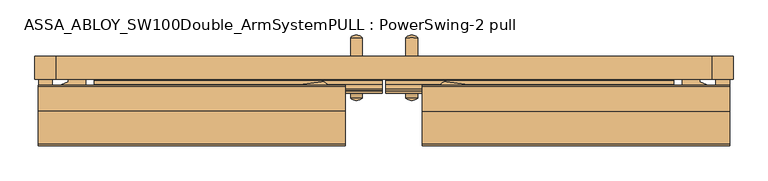
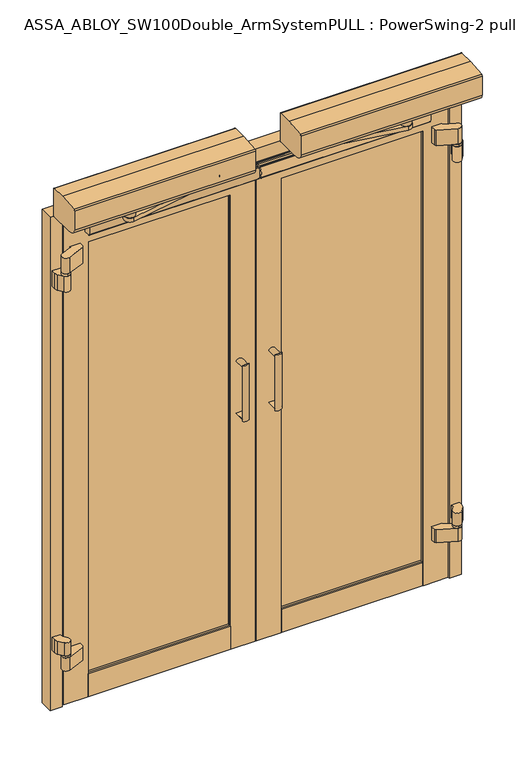
"""IFC4 building model written with IfcOpenShell, lengths in millimetres: door geometry, ASSA_ABLOY_SW100Double_ArmSystemPULL : PowerSwing-2 pull."""

from ifc_helpers import new_model, si_unit, point, frame, frame_2d, origin, origin_with_axes, place, context, project, spatial, polyline, circle_curve, ellipse_curve, trimmed, segment, composite_curve, outline, extrude, faceted_brep, source, transform, mapped, element, save
from ifc_brep_helpers import plane_surface, cylinder_surface, extruded_surface, advanced_brep


def assa_abloy_sw100double_armsystempull_powerswing_2_pull_d1627a82(model_context):
    return source(origin(), model_context, "Body", "SolidModel", [
        extrude(outline(composite_curve([segment(polyline([(1108.0, 47.2374417), (1108.0, 72.2374417)]), True, "CONTINUOUS"), segment(trimmed(circle_curve(frame_2d((1101.4280439, 59.7374417)), 14.1223442), [point((1108.0, 72.2374417))], [point((1108.0, 47.2374417))], False, "CARTESIAN"), True, "CONTINUOUS")], self_intersect=False)), frame((0.0, -37.3215431, 0.0), z_axis=(0.0, 1.0, 0.0), x_axis=(0.0, 0.0, 1.0)), (0.0, 0.0, 1.0), 40.0123882),
        extrude(outline(composite_curve([segment(trimmed(circle_curve(frame_2d((914.5719561, 59.7374417)), 14.1223442), [point((908.0, 47.2374417))], [point((908.0, 72.2374417))], False, "CARTESIAN"), True, "CONTINUOUS"), segment(polyline([(908.0, 72.2374417), (908.0, 47.2374417)]), True, "CONTINUOUS")], self_intersect=False)), frame((0.0, -37.3215431, 0.0), z_axis=(0.0, 1.0, 0.0), x_axis=(0.0, 0.0, 1.0)), (0.0, 0.0, 1.0), 40.0123882),
        extrude(outline(composite_curve([segment(polyline([(72.2374417, 2.6908451), (47.2374417, 2.6908451)]), True, "CONTINUOUS"), segment(trimmed(circle_curve(frame_2d((59.7374417, -8.8112393)), 16.9866991), [point((47.2374417, 2.6908451))], [point((72.2374417, 2.6908451))], False, "CARTESIAN"), True, "CONTINUOUS")], self_intersect=False)), frame((0.0, 0.0, 900.4496119), z_axis=(0.0, 0.0, 1.0), x_axis=(1.0, 0.0, 0.0)), (0.0, 0.0, 1.0), 215.1007763),
        extrude(outline(composite_curve([segment(trimmed(circle_curve(frame_2d((59.7374417, -115.7759853)), 16.9866991), [point((72.2374417, -127.2780697))], [point((47.2374417, -127.2780697))], False, "CARTESIAN"), True, "CONTINUOUS"), segment(polyline([(47.2374417, -127.2780697), (72.2374417, -127.2780697)]), True, "CONTINUOUS")], self_intersect=False)), frame((0.0, 0.0, 900.4496119), z_axis=(0.0, 0.0, 1.0), x_axis=(1.0, 0.0, 0.0)), (0.0, 0.0, 1.0), 215.1007763),
        extrude(outline(composite_curve([segment(polyline([(1108.0, 47.2374417), (1108.0, 72.2374417)]), True, "CONTINUOUS"), segment(trimmed(circle_curve(frame_2d((1101.4280439, 59.7374417)), 14.1223442), [point((1108.0, 72.2374417))], [point((1108.0, 47.2374417))], False, "CARTESIAN"), True, "CONTINUOUS")], self_intersect=False)), frame((0.0, -127.2780697, 0.0), z_axis=(0.0, 1.0, 0.0), x_axis=(0.0, 0.0, 1.0)), (0.0, 0.0, 1.0), 40.0123882),
        extrude(outline(composite_curve([segment(trimmed(circle_curve(frame_2d((914.5719561, 59.7374417)), 14.1223442), [point((908.0, 47.2374417))], [point((908.0, 72.2374417))], False, "CARTESIAN"), True, "CONTINUOUS"), segment(polyline([(908.0, 72.2374417), (908.0, 47.2374417)]), True, "CONTINUOUS")], self_intersect=False)), frame((0.0, -127.2780697, 0.0), z_axis=(0.0, 1.0, 0.0), x_axis=(0.0, 0.0, 1.0)), (0.0, 0.0, 1.0), 40.0123882),
        extrude(outline(composite_curve([segment(trimmed(circle_curve(frame_2d((-59.4512055, -8.8272115)), 16.9866991), [point((-71.9512055, 2.6748729))], [point((-46.9512055, 2.6748729))], False, "CARTESIAN"), True, "CONTINUOUS"), segment(polyline([(-46.9512055, 2.6748729), (-71.9512055, 2.6748729)]), True, "CONTINUOUS")], self_intersect=False)), frame((0.0, 0.0, 900.4496119), z_axis=(0.0, 0.0, 1.0), x_axis=(1.0, 0.0, 0.0)), (0.0, 0.0, 1.0), 215.1007763),
        extrude(outline(composite_curve([segment(trimmed(circle_curve(frame_2d((1101.4280439, -59.4512055)), 14.1223442), [point((1108.0, -46.9512055))], [point((1108.0, -71.9512055))], False, "CARTESIAN"), True, "CONTINUOUS"), segment(polyline([(1108.0, -71.9512055), (1108.0, -46.9512055)]), True, "CONTINUOUS")], self_intersect=False)), frame((0.0, -37.3251271, 0.0), z_axis=(0.0, 1.0, 0.0), x_axis=(0.0, 0.0, 1.0)), (0.0, 0.0, 1.0), 40.0),
        extrude(outline(composite_curve([segment(polyline([(908.0, -46.9512055), (908.0, -71.9512055)]), True, "CONTINUOUS"), segment(trimmed(circle_curve(frame_2d((914.5719561, -59.4512055)), 14.1223442), [point((908.0, -71.9512055))], [point((908.0, -46.9512055))], False, "CARTESIAN"), True, "CONTINUOUS")], self_intersect=False)), frame((0.0, -37.3251271, 0.0), z_axis=(0.0, 1.0, 0.0), x_axis=(0.0, 0.0, 1.0)), (0.0, 0.0, 1.0), 40.0),
        extrude(outline(composite_curve([segment(polyline([(-71.9512055, -127.2780697), (-46.9512055, -127.2780697)]), True, "CONTINUOUS"), segment(trimmed(circle_curve(frame_2d((-59.4512055, -115.7759853)), 16.9866991), [point((-46.9512055, -127.2780697))], [point((-71.9512055, -127.2780697))], False, "CARTESIAN"), True, "CONTINUOUS")], self_intersect=False)), frame((0.0, 0.0, 900.4496119), z_axis=(0.0, 0.0, 1.0), x_axis=(1.0, 0.0, 0.0)), (0.0, 0.0, 1.0), 215.1007763),
        extrude(outline(composite_curve([segment(trimmed(circle_curve(frame_2d((1101.4280439, -59.4512055)), 14.1223442), [point((1108.0, -46.9512055))], [point((1108.0, -71.9512055))], False, "CARTESIAN"), True, "CONTINUOUS"), segment(polyline([(1108.0, -71.9512055), (1108.0, -46.9512055)]), True, "CONTINUOUS")], self_intersect=False)), frame((0.0, -127.2780697, 0.0), z_axis=(0.0, 1.0, 0.0), x_axis=(0.0, 0.0, 1.0)), (0.0, 0.0, 1.0), 40.0123882),
        extrude(outline(composite_curve([segment(polyline([(908.0, -46.9512055), (908.0, -71.9512055)]), True, "CONTINUOUS"), segment(trimmed(circle_curve(frame_2d((914.5719561, -59.4512055)), 14.1223442), [point((908.0, -71.9512055))], [point((908.0, -46.9512055))], False, "CARTESIAN"), True, "CONTINUOUS")], self_intersect=False)), frame((0.0, -127.2780697, 0.0), z_axis=(0.0, 1.0, 0.0), x_axis=(0.0, 0.0, 1.0)), (0.0, 0.0, 1.0), 40.0123882),
        advanced_brep(
        [(-499.3106089, -183.3870479, 1869.8647729), (-130.3990696, -116.6260851, 1869.8647729), (-134.1941363, -92.5632197, 1869.8647729), (-505.7616246, -142.4666915, 1869.8647729), (-499.3106089, -183.3870479, 1854.846278), (-505.7616246, -142.4666915, 1854.846278), (-134.203443, -92.4940224, 1854.846278), (-130.4115028, -116.5573808, 1854.846278)],
        [
            (0, 1),
            (1, 2, circle_curve(frame((-132.5748233, -104.6031811, 1869.8647729), z_axis=(0.0, 0.0, 1.0), x_axis=(-0.5807029557109418, -0.8141155183563178, 0.0)), 12.1483681)),
            (2, 3),
            (3, 0, circle_curve(frame((-503.0, -163.0, 1869.8647729), z_axis=(0.0, 0.0, 1.0), x_axis=(-0.5807029557109418, -0.8141155183563178, 0.0)), 20.7181883)),
            (4, 5, circle_curve(frame((-503.0, -163.0, 1854.846278), z_axis=(0.0, 0.0, -1.0), x_axis=(-0.5807029557109418, -0.8141155183563178, 0.0)), 20.7181883)),
            (5, 6),
            (6, 7, circle_curve(frame((-132.5748233, -104.6031811, 1854.846278), z_axis=(0.0, 0.0, -1.0), x_axis=(-0.5807029557109418, -0.8141155183563178, 0.0)), 12.1483681)),
            (7, 4),
            (0, 4),
            (7, 1),
            (6, 2),
            (5, 3),
        ],
        [
            plane_surface(frame((-130.3990696, -116.6260851, 1869.8647729), z_axis=(0.0, 0.0, 1.0000000000000002), x_axis=(0.984016920394689, 0.17807498526450127, 0.0))),
            plane_surface(frame((-130.3990696, -116.6260851, 1854.846278), z_axis=(0.0, 0.0, -1.0000000000000002), x_axis=(-0.984016920394689, -0.17807498526450127, 0.0))),
            plane_surface(frame((-499.3106089, -183.3870479, 1869.8647729), z_axis=(0.17807498526450127, -0.984016920394689, 0.0), x_axis=(0.0, 0.0, -1.0))),
            cylinder_surface(frame((-132.5748233, -104.6031811, 1854.846278), z_axis=(0.0, 0.0, 1.0), x_axis=(-0.5807029557109418, -0.8141155183563178, 0.0)), 12.1483681),
            plane_surface(frame((-134.203443, -92.4940224, 1869.8647729), z_axis=(-0.1332946972429518, 0.9910764469438823, 0.0), x_axis=(0.0, 0.0, -1.0))),
            cylinder_surface(frame((-503.0, -163.0, 1854.846278), z_axis=(0.0, 0.0, 1.0), x_axis=(-0.5807029557109418, -0.8141155183563178, 0.0)), 20.7181883),
        ],
        [
            (0, [[1, 2, 3, 4]]),
            (1, [[5, 6, 7, 8]]),
            (2, [[-1, 9, -8, 10]]),
            (3, [[-2, -10, -7, 11]]),
            (4, [[-3, -11, -6, 12]]),
            (5, [[-4, -12, -5, -9]]),
        ],
    ),
        advanced_brep(
        [(82.2782505, -155.5582982, 2018.7201106), (82.2782505, -102.8589437, 2018.7201106), (82.2782505, -100.0052181, 2015.8663849), (82.2782505, -100.0052181, 1911.5806591), (82.2782505, -103.0052181, 1908.5806591), (82.2782505, -189.582289, 1908.5806591), (82.2782505, -230.1066916, 1933.4567038), (82.2782505, -230.1066916, 2006.7075993), (82.2782505, -226.4584157, 2011.5214171), (743.0, -155.5582982, 2018.7201106), (743.0, -226.4584157, 2011.5214171), (743.0, -230.1066916, 2006.7075993), (743.0, -230.1066916, 1933.4567038), (743.0, -189.582289, 1908.5806591), (743.0, -103.0052181, 1908.5806591), (743.0, -100.0052181, 1911.5806591), (743.0, -100.0052181, 2015.8663849), (743.0, -102.8589437, 2018.7201106)],
        [
            (0, 1),
            (1, 2, circle_curve(frame((82.2782505, -102.8589437, 2015.8663849), z_axis=(-1.0, 0.0, 0.0), x_axis=(0.0, 0.0, 1.0)), 2.8537257)),
            (2, 3),
            (3, 4, circle_curve(frame((82.2782505, -103.0052181, 1911.5806591), z_axis=(-1.0, 0.0, 0.0), x_axis=(0.0, 0.0, 1.0)), 3.0)),
            (4, 5),
            (5, 6, ellipse_curve(frame((82.2782505, -185.1066916, 1933.4567038), z_axis=(-1.0, 0.0, 0.0), x_axis=(0.0, 1.0, 0.0)), 45.0, 25.0)),
            (6, 7),
            (7, 8, circle_curve(frame((82.2782505, -225.1066916, 2006.7075993), z_axis=(-1.0, 0.0, 0.0), x_axis=(0.0, 0.0, 1.0)), 5.0)),
            (8, 0, circle_curve(frame((82.2782505, -154.2836437, 1653.418119), z_axis=(-1.0, 0.0, 0.0), x_axis=(0.0, 0.0, 1.0)), 365.3042154)),
            (9, 10, circle_curve(frame((743.0, -154.2836437, 1653.418119), z_axis=(1.0, 0.0, 0.0), x_axis=(0.0, 0.0, 1.0)), 365.3042154)),
            (10, 11, circle_curve(frame((743.0, -225.1066916, 2006.7075993), z_axis=(1.0, 0.0, 0.0), x_axis=(0.0, 0.0, 1.0)), 5.0)),
            (11, 12),
            (12, 13, ellipse_curve(frame((743.0, -185.1066916, 1933.4567038), z_axis=(1.0, 0.0, 0.0), x_axis=(0.0, 1.0, 0.0)), 45.0, 25.0)),
            (13, 14),
            (14, 15, circle_curve(frame((743.0, -103.0052181, 1911.5806591), z_axis=(1.0, 0.0, 0.0), x_axis=(0.0, 0.0, 1.0)), 3.0)),
            (15, 16),
            (16, 17, circle_curve(frame((743.0, -102.8589437, 2015.8663849), z_axis=(1.0, 0.0, 0.0), x_axis=(0.0, 0.0, 1.0)), 2.8537257)),
            (17, 9),
            (0, 9),
            (17, 1),
            (16, 2),
            (15, 3),
            (14, 4),
            (13, 5),
            (12, 6),
            (11, 7),
            (10, 8),
        ],
        [
            plane_surface(frame((82.2782505, -100.0, 1986.5349), z_axis=(-1.0, 0.0, 0.0), x_axis=(0.0, -1.0, 0.0))),
            plane_surface(frame((743.0, -100.0, 1986.5349), z_axis=(1.0, 0.0, 0.0), x_axis=(0.0, -1.0, 0.0))),
            plane_surface(frame((82.2782505, -155.5582982, 2018.7201106), z_axis=(0.0, 0.0, 1.0), x_axis=(1.0, 0.0, 0.0))),
            cylinder_surface(frame((82.2782505, -102.8589437, 2015.8663849), z_axis=(-1.0, 0.0, 0.0), x_axis=(0.0, 0.0, 1.0)), 2.8537257),
            plane_surface(frame((82.2782505, -100.0052181, 2015.8663849), z_axis=(0.0, 1.0, 0.0), x_axis=(1.0, 0.0, 0.0))),
            cylinder_surface(frame((82.2782505, -103.0052181, 1911.5806591), z_axis=(-1.0, 0.0, 0.0), x_axis=(0.0, 0.0, 1.0)), 3.0),
            plane_surface(frame((82.2782505, -103.0052181, 1908.5806591), z_axis=(0.0, 0.0, -1.0), x_axis=(1.0, 0.0, 0.0))),
            extruded_surface(trimmed(ellipse_curve(frame((743.0, -185.1066916, 1933.4567038), z_axis=(-1.0, 0.0, 0.0), x_axis=(0.0, 1.0, 0.0)), 45.0, 25.0), [point((743.0, -189.582289, 1908.5806591))], [point((743.0, -230.1066916, 1933.4567038))], True, "CARTESIAN"), (-660.7217495, 0.0, 0.0), 660.7217495),
            plane_surface(frame((82.2782505, -230.1066916, 1933.4567038), z_axis=(0.0, -1.0, 0.0), x_axis=(1.0, 0.0, 0.0))),
            cylinder_surface(frame((82.2782505, -225.1066916, 2006.7075993), z_axis=(-1.0, 0.0, 0.0), x_axis=(0.0, 0.0, 1.0)), 5.0),
            cylinder_surface(frame((82.2782505, -154.2836437, 1653.418119), z_axis=(-1.0, 0.0, 0.0), x_axis=(0.0, 0.0, 1.0)), 365.3042154),
        ],
        [
            (0, [[1, 2, 3, 4, 5, 6, 7, 8, 9]]),
            (1, [[10, 11, 12, 13, 14, 15, 16, 17, 18]]),
            (2, [[-1, 19, -18, 20]]),
            (3, [[-2, -20, -17, 21]]),
            (4, [[-3, -21, -16, 22]]),
            (5, [[-4, -22, -15, 23]]),
            (6, [[-5, -23, -14, 24]]),
            (7, [[-6, -24, -13, 25]]),
            (8, [[-7, -25, -12, 26]]),
            (9, [[-8, -26, -11, 27]]),
            (10, [[-9, -27, -10, -19]]),
        ],
    ),
        extrude(outline(composite_curve([segment(trimmed(circle_curve(frame_2d((132.6239186, -104.2926044)), 4.15), [point((130.2140013, -100.914025))], [point((135.0338358, -107.6711838))], False, "CARTESIAN"), True, "CONTINUOUS"), segment(trimmed(circle_curve(frame_2d((132.6239186, -104.2926044)), 4.15), [point((135.0338358, -107.6711838))], [point((130.2140013, -100.914025))], False, "CARTESIAN"), True, "CONTINUOUS")], self_intersect=False)), frame((0.0, 0.0, 1844.1836687), z_axis=(0.0, 0.0, 1.0), x_axis=(1.0, 0.0, 0.0)), (0.0, 0.0, 1.0), 6.7991849),
        extrude(outline(composite_curve([segment(trimmed(circle_curve(frame_2d((132.6239186, -104.2926044)), 8.5), [point((127.6879434, -97.3726225))], [point((137.5598937, -111.2125863))], False, "CARTESIAN"), True, "CONTINUOUS"), segment(trimmed(circle_curve(frame_2d((132.6239186, -104.2926044)), 8.5), [point((137.5598937, -111.2125863))], [point((127.6879434, -97.3726225))], False, "CARTESIAN"), True, "CONTINUOUS")], self_intersect=False)), frame((0.0, 0.0, 1850.9828536), z_axis=(0.0, 0.0, 1.0), x_axis=(1.0, 0.0, 0.0)), (0.0, 0.0, 1.0), 3.8634244),
        extrude(outline(composite_curve([segment(polyline([(134.2533264, -92.2540049), (507.4535975, -142.7661473)]), True, "CONTINUOUS"), segment(trimmed(circle_curve(frame_2d((503.0, -163.0)), 20.7181883), [point((507.4535975, -142.7661473))], [point((500.978067, -183.6192898))], False, "CARTESIAN"), True, "CONTINUOUS"), segment(polyline([(500.978067, -183.6192898), (130.4505754, -116.244986)]), True, "CONTINUOUS"), segment(trimmed(circle_curve(frame_2d((132.6239186, -104.2926044)), 12.1483681), [point((130.4505754, -116.244986))], [point((134.2533264, -92.2540049))], False, "CARTESIAN"), True, "CONTINUOUS")], self_intersect=False)), frame((0.0, 0.0, 1854.846278), z_axis=(0.0, 0.0, 1.0), x_axis=(1.0, 0.0, 0.0)), (0.0, 0.0, 1.0), 15.018495),
        extrude(outline(composite_curve([segment(trimmed(circle_curve(frame_2d((503.0, -163.0)), 11.0), [point((492.0, -163.0))], [point((514.0, -163.0))], False, "CARTESIAN"), True, "CONTINUOUS"), segment(trimmed(circle_curve(frame_2d((503.0, -163.0)), 11.0), [point((514.0, -163.0))], [point((492.0, -163.0))], False, "CARTESIAN"), True, "CONTINUOUS")], self_intersect=False)), frame((0.0, 0.0, 1894.7442968), z_axis=(0.0, 0.0, 1.0), x_axis=(1.0, 0.0, 0.0)), (0.0, 0.0, 1.0), 39.369776),
        extrude(outline(composite_curve([segment(trimmed(circle_curve(frame_2d((503.0, -163.0)), 19.105), [point((483.895, -163.0))], [point((522.105, -163.0))], False, "CARTESIAN"), True, "CONTINUOUS"), segment(trimmed(circle_curve(frame_2d((503.0, -163.0)), 19.105), [point((522.105, -163.0))], [point((483.895, -163.0))], False, "CARTESIAN"), True, "CONTINUOUS")], self_intersect=False)), frame((0.0, 0.0, 1869.8647729), z_axis=(0.0, 0.0, 1.0), x_axis=(1.0, 0.0, 0.0)), (0.0, 0.0, 1.0), 24.8795239),
        extrude(outline(composite_curve([segment(trimmed(circle_curve(frame_2d((-111.3180226, 1844.451905)), 2.0), [point((-113.2101706, 1845.0998063))], [point((-111.3180226, 1846.451905))], False, "CARTESIAN"), True, "CONTINUOUS"), segment(polyline([(-111.3180226, 1846.451905), (-108.286547, 1846.451905), (-108.286547, 1845.651905), (-97.2864545, 1845.651905), (-97.2864545, 1846.451905), (-89.1371957, 1846.451905)]), True, "CONTINUOUS"), segment(trimmed(circle_curve(frame_2d((-89.6457754, 1845.751905)), 0.8652476), [point((-89.1371957, 1846.451905))], [point((-88.7805279, 1845.751905))], False, "CARTESIAN"), True, "CONTINUOUS"), segment(trimmed(circle_curve(frame_2d((-87.9805279, 1845.751905)), 0.8), [point((-88.7805279, 1845.751905))], [point((-87.9769311, 1844.9519131))], True, "CARTESIAN"), True, "CONTINUOUS"), segment(trimmed(circle_curve(frame_2d((-87.9733986, 1844.1662286)), 0.7856925), [point((-87.9769311, 1844.9519131))], [point((-87.2656814, 1844.507475))], False, "CARTESIAN"), True, "CONTINUOUS"), segment(polyline([(-87.2656814, 1844.507475), (-87.2656814, 1803.2484215)]), True, "CONTINUOUS"), segment(trimmed(circle_curve(frame_2d((-87.7661541, 1803.434363)), 0.5338981), [point((-87.2656814, 1803.2484215))], [point((-87.9945463, 1802.9517822))], False, "CARTESIAN"), True, "CONTINUOUS"), segment(trimmed(circle_curve(frame_2d((-87.9945463, 1802.1653467)), 0.7864355), [point((-87.9945463, 1802.9517822))], [point((-88.7809818, 1802.1653467))], True, "CARTESIAN"), True, "CONTINUOUS"), segment(trimmed(circle_curve(frame_2d((-89.5054294, 1802.1653467)), 0.7244476), [point((-88.7809818, 1802.1653467))], [point((-89.6312284, 1801.451905))], False, "CARTESIAN"), True, "CONTINUOUS"), segment(polyline([(-89.6312284, 1801.451905), (-111.3180226, 1801.451905)]), True, "CONTINUOUS"), segment(trimmed(circle_curve(frame_2d((-111.3180226, 1803.451905)), 2.0), [point((-111.3180226, 1801.451905))], [point((-113.2101706, 1802.8040038))], False, "CARTESIAN"), True, "CONTINUOUS"), segment(trimmed(circle_curve(frame_2d((-51.4492779, 1823.951905)), 65.28125), [point((-113.2101706, 1802.8040038))], [point((-113.2101706, 1845.0998063))], False, "CARTESIAN"), True, "CONTINUOUS")], self_intersect=False)), frame((3.2374417, 0.0, 0.0), z_axis=(1.0, 0.0, 0.0), x_axis=(0.0, 1.0, 0.0)), (0.0, 0.0, 1.0), 619.0),
        extrude(outline(composite_curve([segment(polyline([(678.2662975, -92.1743645), (719.1041839, -109.5148323)]), True, "CONTINUOUS"), segment(trimmed(circle_curve(frame_2d((713.2394615, -123.3266203)), 15.0053476), [point((719.1041839, -109.5148323))], [point((708.1708678, -137.4499987))], False, "CARTESIAN"), True, "CONTINUOUS"), segment(polyline([(708.1708678, -137.4499987), (645.6664343, -110.9184439), (641.0646169, -103.9631237), (641.0646169, -87.3251271), (678.2662975, -87.3251271), (678.2662975, -92.1743645)]), True, "CONTINUOUS")], self_intersect=False)), frame((0.0, 0.0, 171.4813362), z_axis=(0.0, 0.0, 1.0), x_axis=(1.0, 0.0, 0.0)), (0.0, 0.0, 1.0), 50.0),
        extrude(outline(composite_curve([segment(trimmed(circle_curve(frame_2d((713.2374417, -123.3315732)), 15.0), [point((713.2374417, -138.3315732))], [point((713.2374417, -108.3315732))], False, "CARTESIAN"), True, "CONTINUOUS"), segment(trimmed(circle_curve(frame_2d((713.2374417, -123.3315732)), 15.0), [point((713.2374417, -108.3315732))], [point((713.2374417, -138.3315732))], False, "CARTESIAN"), True, "CONTINUOUS")], self_intersect=False)), frame((0.0, 0.0, 221.4813362), z_axis=(0.0, 0.0, 1.0), x_axis=(1.0, 0.0, 0.0)), (0.0, 0.0, 1.0), 8.0),
        extrude(outline(composite_curve([segment(polyline([(701.1890546, -114.3964533), (713.0391682, -98.4174002), (713.0391682, -87.3402004), (742.4391494, -87.3402004), (742.4391494, -104.1366347), (739.4607761, -113.1527638), (725.2858288, -132.2666932)]), True, "CONTINUOUS"), segment(trimmed(circle_curve(frame_2d((713.2374417, -123.3315732)), 15.0), [point((725.2858288, -132.2666932))], [point((701.1890546, -114.3964533))], False, "CARTESIAN"), True, "CONTINUOUS")], self_intersect=False)), frame((0.0, 0.0, 229.4813362), z_axis=(0.0, 0.0, 1.0), x_axis=(1.0, 0.0, 0.0)), (0.0, 0.0, 1.0), 50.0),
        extrude(outline(composite_curve([segment(polyline([(742.4391494, -104.1366347), (739.4607761, -113.1527638), (725.2858288, -132.2666932)]), True, "CONTINUOUS"), segment(trimmed(circle_curve(frame_2d((713.2374417, -123.3315732)), 15.0), [point((725.2858288, -132.2666932))], [point((701.1890546, -114.3964533))], False, "CARTESIAN"), True, "CONTINUOUS"), segment(polyline([(701.1890546, -114.3964533), (713.0391682, -98.4174002), (713.0391682, -87.3402004), (742.4391494, -87.3402004), (742.4391494, -104.1366347)]), True, "CONTINUOUS")], self_intersect=False)), frame((0.0, 0.0, 1631.3150433), z_axis=(0.0, 0.0, 1.0), x_axis=(1.0, 0.0, 0.0)), (0.0, 0.0, 1.0), 59.68332),
        extrude(outline(composite_curve([segment(trimmed(circle_curve(frame_2d((713.2374417, -123.3315732)), 15.0), [point((713.2374417, -108.3315732))], [point((713.2374417, -138.3315732))], False, "CARTESIAN"), True, "CONTINUOUS"), segment(trimmed(circle_curve(frame_2d((713.2374417, -123.3315732)), 15.0), [point((713.2374417, -138.3315732))], [point((713.2374417, -108.3315732))], False, "CARTESIAN"), True, "CONTINUOUS")], self_intersect=False)), frame((0.0, 0.0, 1690.9983633), z_axis=(0.0, 0.0, 1.0), x_axis=(1.0, 0.0, 0.0)), (0.0, 0.0, 1.0), 10.0),
        advanced_brep(
        [(678.2662975, -87.3251271, 1760.9983633), (641.0646169, -87.3251271, 1760.9983633), (641.0646169, -103.9631237, 1760.9983633), (645.6664343, -110.9184439, 1760.9983633), (708.1707617, -137.4499568, 1760.9983633), (719.0984086, -109.5240004, 1760.9983633), (678.2662975, -92.1743645, 1760.9983633), (678.2662975, -87.3251271, 1700.9983633), (678.2662975, -92.1743645, 1700.9983633), (719.1046788, -109.5092289, 1700.9983633), (708.1707617, -137.4499568, 1700.9983633), (645.6664343, -110.9184439, 1700.9983633), (641.0646169, -103.9631237, 1700.9983633), (641.0646169, -87.3251271, 1700.9983633)],
        [
            (0, 1),
            (1, 2),
            (2, 3),
            (3, 4),
            (4, 5, circle_curve(frame((713.2374417, -123.3315732, 1760.9983633), z_axis=(0.0, 0.0, 1.0), x_axis=(-1.0, 0.0, 0.0)), 15.0)),
            (5, 6),
            (6, 0),
            (7, 8),
            (8, 9),
            (9, 10, circle_curve(frame((713.2374417, -123.3315732, 1700.9983633), z_axis=(0.0, 0.0, -1.0), x_axis=(-1.0, 0.0, 0.0)), 15.0)),
            (10, 11),
            (11, 12),
            (12, 13),
            (13, 7),
            (0, 7),
            (13, 1),
            (12, 2),
            (11, 3),
            (10, 4),
            (9, 5),
            (8, 6),
        ],
        [
            plane_surface(frame((641.0646169, -87.3251271, 1760.9983633), z_axis=(0.0, 0.0, 1.0), x_axis=(-1.0, 0.0, 0.0))),
            plane_surface(frame((641.0646169, -87.3251271, 1700.9983633), z_axis=(0.0, 0.0, -1.0), x_axis=(1.0, 0.0, 0.0))),
            plane_surface(frame((678.2662975, -87.3251271, 1760.9983633), z_axis=(0.0, 1.0, 0.0), x_axis=(0.0, 0.0, -1.0))),
            plane_surface(frame((641.0646169, -87.3251271, 1760.9983633), z_axis=(-1.0, 0.0, 0.0), x_axis=(0.0, 0.0, -1.0))),
            plane_surface(frame((641.0646169, -103.9631237, 1760.9983633), z_axis=(-0.8339856219536074, -0.5517861745048118, 0.0), x_axis=(0.0, 0.0, -1.0))),
            plane_surface(frame((645.6664343, -110.9184439, 1760.9983633), z_axis=(-0.39073112848927666, -0.9205048534524392, 0.0), x_axis=(0.0, 0.0, -1.0))),
            cylinder_surface(frame((713.2374417, -123.3315732, 1700.9983633), z_axis=(0.0, 0.0, 1.0), x_axis=(-1.0, 0.0, 0.0)), 15.0),
            plane_surface(frame((719.1046788, -109.5092289, 1760.9983633), z_axis=(0.39073112848928226, 0.9205048534524367, 0.0), x_axis=(0.0, 0.0, -1.0))),
            plane_surface(frame((678.2662975, -92.1743645, 1760.9983633), z_axis=(1.0, 0.0, 0.0), x_axis=(0.0, 0.0, -1.0))),
        ],
        [
            (0, [[1, 2, 3, 4, 5, 6, 7]]),
            (1, [[8, 9, 10, 11, 12, 13, 14]]),
            (2, [[-1, 15, -14, 16]]),
            (3, [[-2, -16, -13, 17]]),
            (4, [[-3, -17, -12, 18]]),
            (5, [[-4, -18, -11, 19]]),
            (6, [[-5, -19, -10, 20]]),
            (7, [[-6, -20, -9, 21]]),
            (8, [[-7, -21, -8, -15]]),
        ],
    ),
        extrude(outline(polyline([(-37.2962729, 93.9905444), (-37.2962729, 5.0), (-87.2909516, 5.0), (-87.2909516, 93.97937), (-80.8678947, 93.97937), (-78.6843711, 98.2774115), (-78.6843711, 81.7322622), (-71.9694964, 81.7322622), (-71.9694964, 98.2768371), (-69.7860879, 93.9905444), (-37.2962729, 93.9905444)])), frame((95.9687168, 0.0, 0.0), z_axis=(1.0, 0.0, 0.0), x_axis=(0.0, 1.0, 0.0)), (0.0, 0.0, 1.0), 510.945177),
        extrude(outline(polyline([(79.2634653, -78.659101), (79.2634653, -71.9442262), (623.6191452, -71.9442262), (623.6191452, -78.659101), (79.2634653, -78.659101)])), frame((0.0, 0.0, 81.7322622), z_axis=(0.0, 0.0, 1.0), x_axis=(1.0, 0.0, 0.0)), (0.0, 0.0, 1.0), 1686.6857904),
        faceted_brep([(15.1706752, -47.2710028, 5.0), (15.1706752, -45.7710028, 5.0), (24.6706752, -45.7710028, 5.0), (24.6706752, -37.2710028, 5.0), (91.6818497, -37.2710028, 5.0), (91.6818497, -69.7608177, 5.0), (95.9681424, -71.9442262, 5.0), (79.2634653, -71.9442262, 5.0), (79.2634653, -78.659101, 5.0), (95.9687168, -78.659101, 5.0), (91.6706752, -80.8426245, 5.0), (91.6706752, -87.2656814, 5.0), (2.6913053, -87.2656814, 5.0), (2.6913053, -85.2815279, 5.0), (22.6706752, -85.2815279, 5.0), (22.6706752, -47.2710028, 5.0), (15.1706752, -47.2710028, 1832.5108426), (15.1706752, -45.7710028, 1832.5108426), (687.7119353, -45.7710028, 1832.5108426), (687.7119353, -45.7710028, 5.0), (678.2119353, -45.7710028, 5.0), (678.2119353, -45.7710028, 1823.0108426), (24.6706752, -45.7710028, 1823.0108426), (24.6706752, -37.2710028, 1823.0108426), (678.2119353, -37.2710028, 1823.0108426), (678.2119353, -37.2710028, 5.0), (611.2007608, -37.2710028, 5.0), (611.2007608, -37.2710028, 1755.9996682), (91.6818497, -37.2710028, 1755.9996682), (91.6818497, -69.7608177, 1755.9996682), (95.9681424, -71.9442262, 1751.7133755), (606.9144682, -71.9442262, 1751.7133755), (606.9144682, -71.9442262, 5.0), (623.6191452, -71.9442262, 5.0), (623.6191452, -71.9442262, 1768.4180526), (79.2634653, -71.9442262, 1768.4180526), (79.2634653, -78.659101, 1768.4180526), (623.6191452, -78.659101, 1768.4180526), (623.6191452, -78.659101, 5.0), (606.9138938, -78.659101, 5.0), (606.9138938, -78.659101, 1751.7128011), (95.9687168, -78.659101, 1751.7128011), (91.6706752, -80.8426245, 1756.0108426), (91.6706752, -87.2656814, 1756.0108426), (611.2119353, -87.2656814, 1756.0108426), (611.2119353, -87.2656814, 5.0), (700.1913053, -87.2656814, 5.0), (700.1913053, -87.2656814, 1844.9902126), (2.6913053, -87.2656814, 1844.9902126), (2.6913053, -85.2815279, 1844.9902126), (700.1913053, -85.2815279, 1844.9902126), (700.1913053, -85.2815279, 5.0), (680.2119353, -85.2815279, 5.0), (680.2119353, -85.2815279, 1825.0108426), (22.6706752, -85.2815279, 1825.0108426), (22.6706752, -47.2710028, 1825.0108426), (680.2119353, -47.2710028, 1825.0108426), (680.2119353, -47.2710028, 5.0), (687.7119353, -47.2710028, 5.0), (687.7119353, -47.2710028, 1832.5108426), (611.2007608, -69.7608177, 1755.9996682), (611.2119353, -80.8426245, 1756.0108426), (611.2119353, -80.8426245, 5.0), (611.2007608, -69.7608177, 5.0)], [[[0, 1, 2, 3, 4, 5, 6, 7, 8, 9, 10, 11, 12, 13, 14, 15]], [[1, 0, 16, 17]], [[2, 1, 17, 18, 19, 20, 21, 22]], [[3, 2, 22, 23]], [[4, 3, 23, 24, 25, 26, 27, 28]], [[5, 4, 28, 29]], [[6, 5, 29, 30]], [[7, 6, 30, 31, 32, 33, 34, 35]], [[8, 7, 35, 36]], [[9, 8, 36, 37, 38, 39, 40, 41]], [[10, 9, 41, 42]], [[11, 10, 42, 43]], [[12, 11, 43, 44, 45, 46, 47, 48]], [[13, 12, 48, 49]], [[14, 13, 49, 50, 51, 52, 53, 54]], [[15, 14, 54, 55]], [[0, 15, 55, 56, 57, 58, 59, 16]], [[17, 16, 59, 18]], [[23, 22, 21, 24]], [[29, 28, 27, 60]], [[30, 29, 60, 31]], [[36, 35, 34, 37]], [[42, 41, 40, 61]], [[43, 42, 61, 44]], [[49, 48, 47, 50]], [[55, 54, 53, 56]], [[58, 57, 52, 51, 46, 45, 62, 39, 38, 33, 32, 63, 26, 25, 20, 19]], [[18, 59, 58, 19]], [[24, 21, 20, 25]], [[60, 27, 26, 63]], [[31, 60, 63, 32]], [[37, 34, 33, 38]], [[61, 40, 39, 62]], [[44, 61, 62, 45]], [[50, 47, 46, 51]], [[56, 53, 52, 57]]]),
        extrude(outline(composite_curve([segment(polyline([(-677.9800614, -92.1743645), (-677.9800614, -87.3251271), (-640.7783807, -87.3251271), (-640.7783807, -103.9631237), (-645.3801981, -110.9184439), (-707.085245, -137.1370253)]), True, "CONTINUOUS"), segment(trimmed(circle_curve(frame_2d((-712.9512055, -123.3315732)), 15.0), [point((-707.085245, -137.1370253))], [point((-718.8171661, -109.5261211))], False, "CARTESIAN"), True, "CONTINUOUS"), segment(polyline([(-718.8171661, -109.5261211), (-677.9800614, -92.1743645)]), True, "CONTINUOUS")], self_intersect=False)), frame((0.0, 0.0, 171.4813362), z_axis=(0.0, 0.0, 1.0), x_axis=(1.0, 0.0, 0.0)), (0.0, 0.0, 1.0), 50.0),
        extrude(outline(composite_curve([segment(trimmed(circle_curve(frame_2d((-713.0010196, -123.3315744)), 15.0000009), [point((-713.0010196, -138.3315752))], [point((-713.0010196, -108.3315735))], False, "CARTESIAN"), True, "CONTINUOUS"), segment(trimmed(circle_curve(frame_2d((-713.0010196, -123.3315744)), 15.0000009), [point((-713.0010196, -108.3315735))], [point((-713.0010196, -138.3315752))], False, "CARTESIAN"), True, "CONTINUOUS")], self_intersect=False)), frame((0.0, 0.0, 221.4813362), z_axis=(0.0, 0.0, 1.0), x_axis=(1.0, 0.0, 0.0)), (0.0, 0.0, 1.0), 8.0),
        extrude(outline(composite_curve([segment(polyline([(-742.1529132, -104.1366347), (-742.1529132, -87.3251271), (-712.7529321, -87.3251271), (-712.7529321, -98.4174002), (-700.1615749, -115.338588)]), True, "CONTINUOUS"), segment(trimmed(circle_curve(frame_2d((-712.8704875, -123.3430501)), 15.019583), [point((-700.1615749, -115.338588))], [point((-724.8670909, -132.3801615))], False, "CARTESIAN"), True, "CONTINUOUS"), segment(polyline([(-724.8670909, -132.3801615), (-739.1745399, -113.1527638), (-742.1529132, -104.1366347)]), True, "CONTINUOUS")], self_intersect=False)), frame((0.0, 0.0, 229.4813362), z_axis=(0.0, 0.0, 1.0), x_axis=(1.0, 0.0, 0.0)), (0.0, 0.0, 1.0), 50.0),
        extrude(outline(composite_curve([segment(polyline([(-640.7783807, -87.3251271), (-640.7783807, -103.9631237), (-645.3801981, -110.9184439), (-707.085245, -137.1370253)]), True, "CONTINUOUS"), segment(trimmed(circle_curve(frame_2d((-712.9512055, -123.3315732)), 15.0), [point((-707.085245, -137.1370253))], [point((-718.8171661, -109.5261211))], False, "CARTESIAN"), True, "CONTINUOUS"), segment(polyline([(-718.8171661, -109.5261211), (-677.9800614, -92.1743645), (-677.9800614, -87.3251271), (-640.7783807, -87.3251271)]), True, "CONTINUOUS")], self_intersect=False)), frame((0.0, 0.0, 1700.9983633), z_axis=(0.0, 0.0, 1.0), x_axis=(1.0, 0.0, 0.0)), (0.0, 0.0, 1.0), 60.0),
        extrude(outline(composite_curve([segment(trimmed(circle_curve(frame_2d((-712.9512055, -123.3315744)), 15.0000009), [point((-712.9512055, -108.3315735))], [point((-712.9512055, -138.3315752))], False, "CARTESIAN"), True, "CONTINUOUS"), segment(trimmed(circle_curve(frame_2d((-712.9512055, -123.3315744)), 15.0000009), [point((-712.9512055, -138.3315752))], [point((-712.9512055, -108.3315735))], False, "CARTESIAN"), True, "CONTINUOUS")], self_intersect=False)), frame((0.0, 0.0, 1690.9983633), z_axis=(0.0, 0.0, 1.0), x_axis=(1.0, 0.0, 0.0)), (0.0, 0.0, 1.0), 10.0),
        extrude(outline(composite_curve([segment(polyline([(-712.7529321, -87.3251271), (-712.7529321, -98.4174002), (-700.1615749, -115.338588)]), True, "CONTINUOUS"), segment(trimmed(circle_curve(frame_2d((-712.8202444, -123.4158886)), 15.0161479), [point((-700.1615749, -115.338588))], [point((-724.8670909, -132.3801615))], False, "CARTESIAN"), True, "CONTINUOUS"), segment(polyline([(-724.8670909, -132.3801615), (-739.1745399, -113.1527638), (-742.1529132, -104.1366347), (-742.1529132, -87.3251271), (-712.7529321, -87.3251271)]), True, "CONTINUOUS")], self_intersect=False)), frame((0.0, 0.0, 1630.9983633), z_axis=(0.0, 0.0, 1.0), x_axis=(1.0, 0.0, 0.0)), (0.0, 0.0, 1.0), 60.0),
        extrude(outline(polyline([(-87.2909516, 5.0), (-87.2909516, 93.97937), (-80.8678947, 93.97937), (-78.6843711, 98.2774115), (-78.6843711, 81.7322622), (-71.9694964, 81.7322622), (-71.9694964, 98.2768371), (-69.7860879, 93.9905444), (-37.2962729, 93.9905444), (-37.2962729, 5.0), (-87.2909516, 5.0)])), frame((-611.0587811, 0.0, 0.0), z_axis=(1.0, 0.0, 0.0), x_axis=(0.0, 1.0, 0.0)), (0.0, 0.0, 1.0), 519.5025783),
        extrude(outline(polyline([(750.0, -37.2710028), (750.0, -87.2710028), (705.3497031, -87.2710028), (705.3497031, -37.2710028), (750.0, -37.2710028)])), origin_with_axes(), (0.0, 0.0, 1.0), 1900.0),
        extrude(outline(polyline([(-705.0634669, -87.3251271), (-750.0, -87.3251271), (-750.0, -37.3251271), (-705.0634669, -37.3251271), (-705.0634669, -87.3251271)])), origin_with_axes(), (0.0, 0.0, 1.0), 1900.0),
        advanced_brep(
        [(-743.0, -100.0052181, 1911.5806591), (-743.0, -103.0052181, 1908.5806591), (-743.0, -189.582289, 1908.5806591), (-743.0, -230.1066916, 1933.4567038), (-743.0, -230.1066916, 2006.7075993), (-743.0, -226.4584157, 2011.5214171), (-743.0, -155.5582982, 2018.7201106), (-743.0, -102.8589437, 2018.7201106), (-743.0, -100.0052181, 2015.8663849), (-83.0, -100.0052181, 1911.5806591), (-83.0, -100.0052181, 2015.8663849), (-83.0, -102.8589437, 2018.7201106), (-83.0, -155.5582982, 2018.7201106), (-83.0, -226.4584157, 2011.5214171), (-83.0, -230.1066916, 2006.7075993), (-83.0, -230.1066916, 1933.4567038), (-83.0, -189.582289, 1908.5806591), (-83.0, -103.0052181, 1908.5806591)],
        [
            (0, 1, circle_curve(frame((-743.0, -103.0052181, 1911.5806591), z_axis=(-1.0, 0.0, 0.0), x_axis=(0.0, 0.0, 1.0)), 3.0)),
            (1, 2),
            (2, 3, ellipse_curve(frame((-743.0, -185.1066916, 1933.4567038), z_axis=(-1.0, 0.0, 0.0), x_axis=(0.0, 1.0, 0.0)), 45.0, 25.0)),
            (3, 4),
            (4, 5, circle_curve(frame((-743.0, -225.1066916, 2006.7075993), z_axis=(-1.0, 0.0, 0.0), x_axis=(0.0, 0.0, 1.0)), 5.0)),
            (5, 6, circle_curve(frame((-743.0, -154.2836437, 1653.418119), z_axis=(-1.0, 0.0, 0.0), x_axis=(0.0, 0.0, 1.0)), 365.3042154)),
            (6, 7),
            (7, 8, circle_curve(frame((-743.0, -102.8589437, 2015.8663849), z_axis=(-1.0, 0.0, 0.0), x_axis=(0.0, 0.0, 1.0)), 2.8537257)),
            (8, 0),
            (9, 10),
            (10, 11, circle_curve(frame((-83.0, -102.8589437, 2015.8663849), z_axis=(1.0, 0.0, 0.0), x_axis=(0.0, 0.0, 1.0)), 2.8537257)),
            (11, 12),
            (12, 13, circle_curve(frame((-83.0, -154.2836437, 1653.418119), z_axis=(1.0, 0.0, 0.0), x_axis=(0.0, 0.0, 1.0)), 365.3042154)),
            (13, 14, circle_curve(frame((-83.0, -225.1066916, 2006.7075993), z_axis=(1.0, 0.0, 0.0), x_axis=(0.0, 0.0, 1.0)), 5.0)),
            (14, 15),
            (15, 16, ellipse_curve(frame((-83.0, -185.1066916, 1933.4567038), z_axis=(1.0, 0.0, 0.0), x_axis=(0.0, 1.0, 0.0)), 45.0, 25.0)),
            (16, 17),
            (17, 9, circle_curve(frame((-83.0, -103.0052181, 1911.5806591), z_axis=(1.0, 0.0, 0.0), x_axis=(0.0, 0.0, 1.0)), 3.0)),
            (8, 10),
            (9, 0),
            (1, 17),
            (16, 2),
            (15, 3),
            (14, 4),
            (13, 5),
            (12, 6),
            (11, 7),
        ],
        [
            plane_surface(frame((-743.0, -100.0, 1990.0450899), z_axis=(-1.0, 0.0, 0.0), x_axis=(0.0, -1.0, 0.0))),
            plane_surface(frame((-83.0, -100.0, 1990.0450899), z_axis=(1.0, 0.0, 0.0), x_axis=(0.0, -1.0, 0.0))),
            plane_surface(frame((-743.0, -100.0052181, 2015.8663849), z_axis=(0.0, 1.0, 0.0), x_axis=(1.0, 0.0, 0.0))),
            plane_surface(frame((-743.0, -103.0052181, 1908.5806591), z_axis=(0.0, 0.0, -1.0), x_axis=(1.0, 0.0, 0.0))),
            cylinder_surface(frame((-743.0, -103.0052181, 1911.5806591), z_axis=(-1.0, 0.0, 0.0), x_axis=(0.0, 0.0, 1.0)), 3.0),
            extruded_surface(trimmed(ellipse_curve(frame((-83.0, -185.1066916, 1933.4567038), z_axis=(-1.0, 0.0, 0.0), x_axis=(0.0, 1.0, 0.0)), 45.0, 25.0), [point((-83.0, -189.582289, 1908.5806591))], [point((-83.0, -230.1066916, 1933.4567038))], True, "CARTESIAN"), (-660.0, 0.0, 0.0), 660.0),
            plane_surface(frame((-743.0, -230.1066916, 1933.4567038), z_axis=(0.0, -1.0, 0.0), x_axis=(1.0, 0.0, 0.0))),
            cylinder_surface(frame((-743.0, -225.1066916, 2006.7075993), z_axis=(-1.0, 0.0, 0.0), x_axis=(0.0, 0.0, 1.0)), 5.0),
            cylinder_surface(frame((-743.0, -154.2836437, 1653.418119), z_axis=(-1.0, 0.0, 0.0), x_axis=(0.0, 0.0, 1.0)), 365.3042154),
            plane_surface(frame((-743.0, -155.5582982, 2018.7201106), z_axis=(0.0, 0.0, 1.0), x_axis=(1.0, 0.0, 0.0))),
            cylinder_surface(frame((-743.0, -102.8589437, 2015.8663849), z_axis=(-1.0, 0.0, 0.0), x_axis=(0.0, 0.0, 1.0)), 2.8537257),
        ],
        [
            (0, [[1, 2, 3, 4, 5, 6, 7, 8, 9]]),
            (1, [[10, 11, 12, 13, 14, 15, 16, 17, 18]]),
            (2, [[-9, 19, -10, 20]]),
            (3, [[-2, 21, -17, 22]]),
            (4, [[-1, -20, -18, -21]]),
            (5, [[-3, -22, -16, 23]]),
            (6, [[-4, -23, -15, 24]]),
            (7, [[-5, -24, -14, 25]]),
            (8, [[-6, -25, -13, 26]]),
            (9, [[-7, -26, -12, 27]]),
            (10, [[-8, -27, -11, -19]]),
        ],
    ),
        extrude(outline(composite_curve([segment(trimmed(circle_curve(frame_2d((-132.798144, -104.7496441)), 4.15), [point((-130.3882267, -101.3710647))], [point((-135.2080612, -108.1282235))], False, "CARTESIAN"), True, "CONTINUOUS"), segment(trimmed(circle_curve(frame_2d((-132.798144, -104.7496441)), 4.15), [point((-135.2080612, -108.1282235))], [point((-130.3882267, -101.3710647))], False, "CARTESIAN"), True, "CONTINUOUS")], self_intersect=False)), frame((0.0, 0.0, 1844.1836687), z_axis=(0.0, 0.0, 1.0), x_axis=(1.0, 0.0, 0.0)), (0.0, 0.0, 1.0), 6.7991849),
        extrude(outline(composite_curve([segment(trimmed(circle_curve(frame_2d((-132.798144, -104.7496441)), 8.5), [point((-127.8621688, -97.8296622))], [point((-137.7341191, -111.669626))], False, "CARTESIAN"), True, "CONTINUOUS"), segment(trimmed(circle_curve(frame_2d((-132.798144, -104.7496441)), 8.5), [point((-137.7341191, -111.669626))], [point((-127.8621688, -97.8296622))], False, "CARTESIAN"), True, "CONTINUOUS")], self_intersect=False)), frame((0.0, 0.0, 1850.9828536), z_axis=(0.0, 0.0, 1.0), x_axis=(1.0, 0.0, 0.0)), (0.0, 0.0, 1.0), 3.8634244),
        extrude(outline(composite_curve([segment(trimmed(circle_curve(frame_2d((-503.0, -163.0)), 19.0), [point((-484.0, -163.0))], [point((-522.0, -163.0))], False, "CARTESIAN"), True, "CONTINUOUS"), segment(trimmed(circle_curve(frame_2d((-503.0, -163.0)), 19.0), [point((-522.0, -163.0))], [point((-484.0, -163.0))], False, "CARTESIAN"), True, "CONTINUOUS")], self_intersect=False)), frame((0.0, 0.0, 1869.8647729), z_axis=(0.0, 0.0, 1.0), x_axis=(1.0, 0.0, 0.0)), (0.0, 0.0, 1.0), 24.8795239),
        extrude(outline(composite_curve([segment(trimmed(circle_curve(frame_2d((-503.0, -163.0)), 11.0), [point((-492.0, -163.0))], [point((-514.0, -163.0))], False, "CARTESIAN"), True, "CONTINUOUS"), segment(trimmed(circle_curve(frame_2d((-503.0, -163.0)), 11.0), [point((-514.0, -163.0))], [point((-492.0, -163.0))], False, "CARTESIAN"), True, "CONTINUOUS")], self_intersect=False)), frame((0.0, 0.0, 1894.7442968), z_axis=(0.0, 0.0, 1.0), x_axis=(1.0, 0.0, 0.0)), (0.0, 0.0, 1.0), 39.369776),
        extrude(outline(composite_curve([segment(trimmed(circle_curve(frame_2d((-89.6457754, 1845.751905)), 0.8652476), [point((-89.1371957, 1846.451905))], [point((-88.7805279, 1845.751905))], False, "CARTESIAN"), True, "CONTINUOUS"), segment(trimmed(circle_curve(frame_2d((-87.9805279, 1845.751905)), 0.8), [point((-88.7805279, 1845.751905))], [point((-87.9769311, 1844.9519131))], True, "CARTESIAN"), True, "CONTINUOUS"), segment(trimmed(circle_curve(frame_2d((-87.9733986, 1844.1662286)), 0.7856925), [point((-87.9769311, 1844.9519131))], [point((-87.2656814, 1844.507475))], False, "CARTESIAN"), True, "CONTINUOUS"), segment(polyline([(-87.2656814, 1844.507475), (-87.2656814, 1803.2484215)]), True, "CONTINUOUS"), segment(trimmed(circle_curve(frame_2d((-87.7661541, 1803.434363)), 0.5338981), [point((-87.2656814, 1803.2484215))], [point((-87.9945463, 1802.9517822))], False, "CARTESIAN"), True, "CONTINUOUS"), segment(trimmed(circle_curve(frame_2d((-87.9945463, 1802.1653467)), 0.7864355), [point((-87.9945463, 1802.9517822))], [point((-88.7809818, 1802.1653467))], True, "CARTESIAN"), True, "CONTINUOUS"), segment(trimmed(circle_curve(frame_2d((-89.5054294, 1802.1653467)), 0.7244476), [point((-88.7809818, 1802.1653467))], [point((-89.6312284, 1801.451905))], False, "CARTESIAN"), True, "CONTINUOUS"), segment(polyline([(-89.6312284, 1801.451905), (-111.3180226, 1801.451905)]), True, "CONTINUOUS"), segment(trimmed(circle_curve(frame_2d((-111.3180226, 1803.451905)), 2.0), [point((-111.3180226, 1801.451905))], [point((-113.2101706, 1802.8040038))], False, "CARTESIAN"), True, "CONTINUOUS"), segment(trimmed(circle_curve(frame_2d((-51.4492779, 1823.951905)), 65.28125), [point((-113.2101706, 1802.8040038))], [point((-113.2101706, 1845.0998063))], False, "CARTESIAN"), True, "CONTINUOUS"), segment(trimmed(circle_curve(frame_2d((-111.3180226, 1844.451905)), 2.0), [point((-113.2101706, 1845.0998063))], [point((-111.3180226, 1846.451905))], False, "CARTESIAN"), True, "CONTINUOUS"), segment(polyline([(-111.3180226, 1846.451905), (-108.286547, 1846.451905), (-108.286547, 1845.651905), (-97.2864545, 1845.651905), (-97.2864545, 1846.451905), (-89.1371957, 1846.451905)]), True, "CONTINUOUS")], self_intersect=False)), frame((-622.4512055, 0.0, 0.0), z_axis=(1.0, 0.0, 0.0), x_axis=(0.0, 1.0, 0.0)), (0.0, 0.0, 1.0), 619.0),
        extrude(outline(polyline([(-623.465991, -78.659101), (-623.465991, -71.9442262), (-79.1489929, -71.9442262), (-79.1489929, -78.659101), (-623.465991, -78.659101)])), frame((0.0, 0.0, 81.7322622), z_axis=(0.0, 0.0, 1.0), x_axis=(1.0, 0.0, 0.0)), (0.0, 0.0, 1.0), 1686.6659287),
        faceted_brep([(-687.5587811, -45.7710028, 5.0), (-678.0587811, -45.7710028, 5.0), (-678.0587811, -37.2710028, 5.0), (-611.0476066, -37.2710028, 5.0), (-611.0476066, -69.7608177, 5.0), (-606.761314, -71.9442262, 5.0), (-623.465991, -71.9442262, 5.0), (-623.465991, -78.659101, 5.0), (-606.7607396, -78.659101, 5.0), (-611.0587811, -80.8426245, 5.0), (-611.0587811, -87.2656814, 5.0), (-700.0381511, -87.2656814, 5.0), (-700.0381511, -85.2815279, 5.0), (-680.0587811, -85.2815279, 5.0), (-680.0587811, -47.2710028, 5.0), (-687.5587811, -47.2710028, 5.0), (-15.0562028, -45.7710028, 5.0), (-15.0562028, -47.2710028, 5.0), (-22.5562028, -47.2710028, 5.0), (-22.5562028, -85.2815279, 5.0), (-2.5768328, -85.2815279, 5.0), (-2.5768328, -87.2656814, 5.0), (-91.5562028, -87.2656814, 5.0), (-91.5562028, -80.8426245, 5.0), (-95.8542443, -78.659101, 5.0), (-79.1489929, -78.659101, 5.0), (-79.1489929, -71.9442262, 5.0), (-95.8536699, -71.9442262, 5.0), (-91.5673773, -69.7608177, 5.0), (-91.5673773, -37.2710028, 5.0), (-24.5562028, -37.2710028, 5.0), (-24.5562028, -45.7710028, 5.0), (-687.5587811, -45.7710028, 1832.5012891), (-15.0562028, -45.7710028, 1832.5012891), (-24.5562028, -45.7710028, 1823.0012891), (-678.0587811, -45.7710028, 1823.0012891), (-678.0587811, -37.2710028, 1823.0012891), (-24.5562028, -37.2710028, 1823.0012891), (-91.5673773, -37.2710028, 1755.9901147), (-611.0476066, -37.2710028, 1755.9901147), (-611.0587811, -80.8426245, 1756.0012891), (-611.0587811, -87.2656814, 1756.0012891), (-91.5562028, -87.2656814, 1756.0012891), (-2.5768328, -87.2656814, 1844.9806591), (-700.0381511, -87.2656814, 1844.9806591), (-700.0381511, -85.2815279, 1844.9806591), (-680.0587811, -85.2815279, 1825.0012891), (-680.0587811, -47.2710028, 1825.0012891), (-22.5562028, -47.2710028, 1825.0012891), (-15.0562028, -47.2710028, 1832.5012891), (-687.5587811, -47.2710028, 1832.5012891), (-623.465991, -78.659101, 1768.408499), (-79.1489929, -78.659101, 1768.408499), (-95.8542443, -78.659101, 1751.7032476), (-606.7607396, -78.659101, 1751.7032476), (-611.0476066, -69.7608177, 1755.9901147), (-606.761314, -71.9442262, 1751.703822), (-95.8536699, -71.9442262, 1751.703822), (-79.1489929, -71.9442262, 1768.408499), (-623.465991, -71.9442262, 1768.408499), (-91.5562028, -80.8426245, 1756.0012891), (-2.5768328, -85.2815279, 1844.9806591), (-22.5562028, -85.2815279, 1825.0012891), (-91.5673773, -69.7608177, 1755.9901147)], [[[0, 1, 2, 3, 4, 5, 6, 7, 8, 9, 10, 11, 12, 13, 14, 15]], [[16, 17, 18, 19, 20, 21, 22, 23, 24, 25, 26, 27, 28, 29, 30, 31]], [[1, 0, 32, 33, 16, 31, 34, 35]], [[2, 1, 35, 36]], [[3, 2, 36, 37, 30, 29, 38, 39]], [[10, 9, 40, 41]], [[11, 10, 41, 42, 22, 21, 43, 44]], [[12, 11, 44, 45]], [[14, 13, 46, 47]], [[15, 14, 47, 48, 18, 17, 49, 50]], [[0, 15, 50, 32]], [[8, 7, 51, 52, 25, 24, 53, 54]], [[9, 8, 54, 40]], [[5, 4, 55, 56]], [[6, 5, 56, 57, 27, 26, 58, 59]], [[4, 3, 39, 55]], [[36, 35, 34, 37]], [[41, 40, 60, 42]], [[45, 44, 43, 61]], [[47, 46, 62, 48]], [[32, 50, 49, 33]], [[40, 54, 53, 60]], [[56, 55, 63, 57]], [[55, 39, 38, 63]], [[37, 34, 31, 30]], [[42, 60, 23, 22]], [[61, 43, 21, 20]], [[48, 62, 19, 18]], [[33, 49, 17, 16]], [[60, 53, 24, 23]], [[57, 63, 28, 27]], [[63, 38, 29, 28]], [[7, 6, 59, 51]], [[51, 59, 58, 52]], [[52, 58, 26, 25]], [[13, 12, 45, 61, 20, 19, 62, 46]]]),
        extrude(outline(polyline([(-37.3251271, 1899.9892457), (-37.3251271, 1827.9892457), (-39.3359805, 1827.9892457), (-39.3359805, 1847.9583981), (-77.3605205, 1847.9583981), (-77.3605205, 1840.5255088), (-78.8397962, 1840.5255088), (-78.8397962, 1849.9902126), (-87.3251271, 1849.9902126), (-87.3251271, 1899.9892457), (-37.3251271, 1899.9892457)])), frame((-705.0, 0.0, 0.0), z_axis=(1.0, 0.0, 0.0), x_axis=(0.0, 1.0, 0.0)), (0.0, 0.0, 1.0), 1410.0),
    ])


if __name__ == "__main__":
    model = new_model("IFC4")
    model_context = context("Model", 3, world=origin())
    ifc_project = project(units=[si_unit("LENGTHUNIT", "METRE", prefix="MILLI")], contexts=[model_context])
    site = spatial("IfcSite", under=ifc_project)
    building = spatial("IfcBuilding", under=site)
    placement = place(None, origin())
    assa_abloy_sw100double_armsystempull_powerswing_2_pull_shape = assa_abloy_sw100double_armsystempull_powerswing_2_pull_d1627a82(model_context)
    element("IfcDoor", 1, ObjectType="ASSA_ABLOY_SW100Double_ArmSystemPULL : PowerSwing-2 pull", at=placement, inside=building, context=model_context, shape_type="MappedRepresentation", body=[
        mapped(assa_abloy_sw100double_armsystempull_powerswing_2_pull_shape, transform((0.0, 0.0, 0.0), x_axis=(1.0, 0.0, 0.0), y_axis=(0.0, 1.0, 0.0), z_axis=(0.0, 0.0, 1.0))),
    ])
    save(model, "model.ifc")
